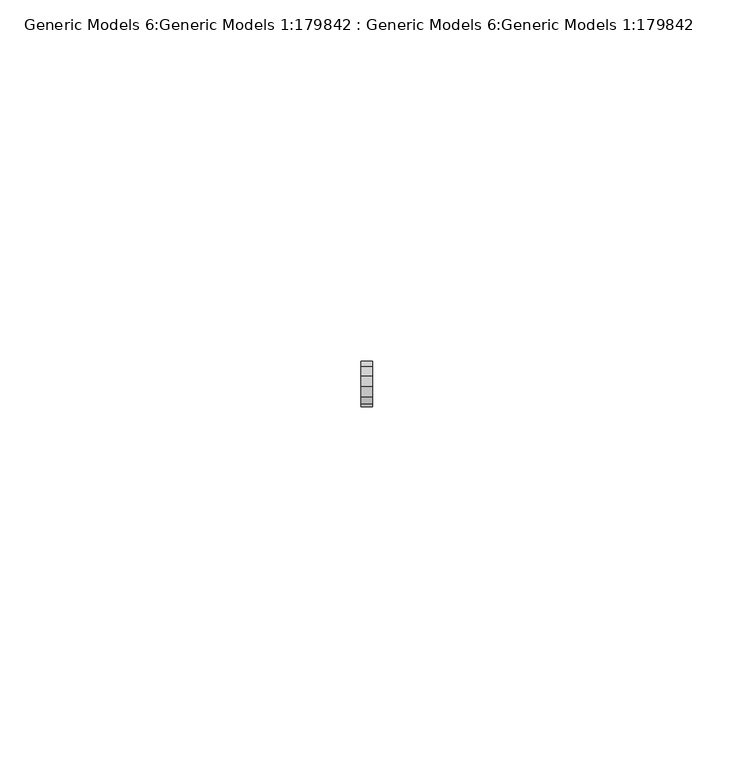
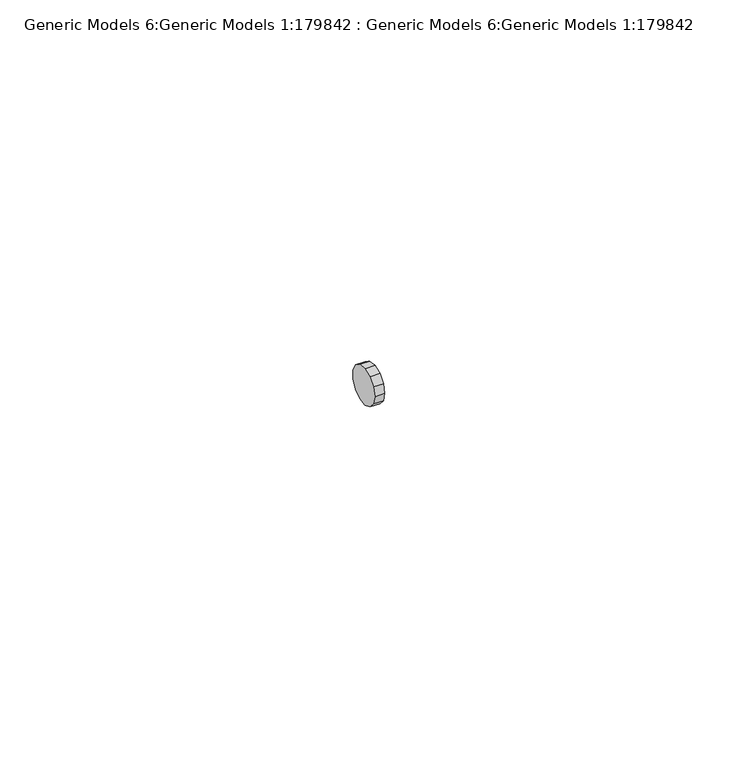
"""IFC4 building model written with IfcOpenShell, lengths in millimetres: proxy geometry, Generic Models 6:Generic Models 1:179842 : Generic Models 6:Generic Models 1:179842."""

from ifc_helpers import new_model, si_unit, frame, origin, place, context, project, spatial, polyline, outline, extrude, source, transform, mapped, element, save


def generic_models_6_generic_models_1_179842_generic_models_6_712b68e6(model_context):
    return source(origin(), model_context, "Body", "SweptSolid", [
        extrude(outline(polyline([(-24347.8069305, 5675.6258011), (-24348.5126495, 5674.2801666), (-24349.7638702, 5673.4166145), (-24351.272583, 5673.2335091), (-24352.6935577, 5673.7723351), (-24353.7006378, 5674.9100685), (-24354.0649414, 5676.3854027), (-24353.7006378, 5677.8612137), (-24352.6935577, 5678.9984703), (-24351.272583, 5679.5372963), (-24349.7638702, 5679.3541908), (-24348.5126495, 5678.4911156), (-24347.8069305, 5677.1454811), (-24347.8069305, 5675.6258011)])), frame((37585.3424072, 0.0, 0.0), z_axis=(1.0, 0.0, 0.0), x_axis=(0.0, 1.0, 0.0)), (0.0, 0.0, 1.0), 1.5869141),
    ])


if __name__ == "__main__":
    model = new_model("IFC4")
    model_context = context("Model", 3, world=origin())
    ifc_project = project(units=[si_unit("LENGTHUNIT", "METRE", prefix="MILLI")], contexts=[model_context])
    site = spatial("IfcSite", under=ifc_project)
    building = spatial("IfcBuilding", under=site)
    placement = place(None, origin())
    generic_models_6_generic_models_1_179842_generic_models_6_shape = generic_models_6_generic_models_1_179842_generic_models_6_712b68e6(model_context)
    element("IfcBuildingElementProxy", 1, Name="Generic Models 6:Generic Models 1:179842 : Generic Models 6:Generic Models 1:179842", ObjectType="Generic Models 6:Generic Models 1:179842 : Generic Models 6:Generic Models 1:179842", at=placement, inside=building, context=model_context, shape_type="MappedRepresentation", body=[
        mapped(generic_models_6_generic_models_1_179842_generic_models_6_shape, transform((0.0, 0.0, 0.0), x_axis=(1.0, 0.0, 0.0), y_axis=(0.0, 1.0, 0.0), z_axis=(0.0, 0.0, 1.0))),
    ])
    save(model, "model.ifc")
